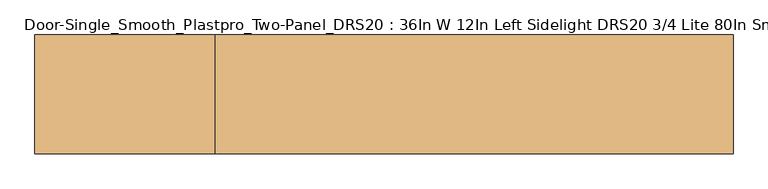
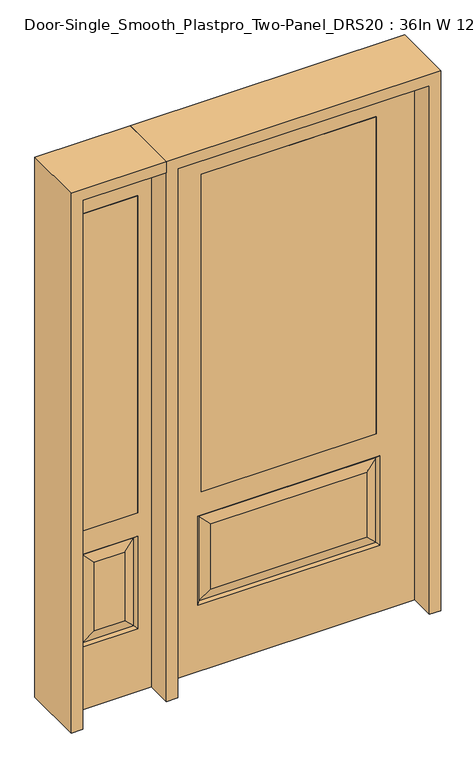
"""IFC4 building model written with IfcOpenShell, lengths in millimetres: door geometry, Door-Single_Smooth_Plastpro_Two-Panel_DRS20 : 36In W 12In Left Sidelight DRS20 3/4 Lite 80In Smooth."""

import ifcopenshell
import ifcopenshell.guid

model = None  # the IFC model being written
_history = None  # IfcOwnerHistory: only IFC2X3 demands one
_inside = {}  # id of a spatial element -> (the spatial element, [elements in it])
_under = {}  # id of a project, library or spatial element -> (it, [spatial elements below it])
_declared = {}  # id of a project -> (the project, [libraries it declares])
_typed = {}  # id of a type object -> (the type object, [elements of that type])
_made_of = {}  # id of a material, layer set ... -> (it, [elements and type objects made of it])


def new_model(schema):
    """Start an empty IFC model of exactly this schema.

    Asked for "IFC4X3", IfcOpenShell would pick the latest addendum, in which some entities
    have other attributes; the version numbers below select the first issue.
    IFC2X3 requires an IfcOwnerHistory on every rooted entity: one is made here for all.
    """
    global model, _history
    if schema == "IFC4X3":
        model = ifcopenshell.file(schema_version=(4, 3, 0, 0))
    else:
        model = ifcopenshell.file(schema=schema)
    _inside.clear()
    _under.clear()
    _declared.clear()
    _typed.clear()
    _made_of.clear()
    _history = None
    if model.schema == "IFC2X3":
        org = make("IfcOrganization", Name="unknown")
        user = make(
            "IfcPersonAndOrganization",
            ThePerson=make("IfcPerson", FamilyName="unknown"),
            TheOrganization=org,
        )
        app = make(
            "IfcApplication",
            ApplicationDeveloper=org,
            Version="unknown",
            ApplicationFullName="unknown",
            ApplicationIdentifier="unknown",
        )
        _history = make(
            "IfcOwnerHistory",
            OwningUser=user,
            OwningApplication=app,
            ChangeAction="ADDED",
            CreationDate=0,
        )
    return model


def make(cls, **values):
    """One entity of the class cls with the attributes given. An attribute that is None is left unset."""
    return model.create_entity(
        cls, **{name: value for name, value in values.items() if value is not None}
    )


def rooted(cls, **values):
    """An entity with a GlobalId (a new one), such as an element, a storey or a relation."""
    return make(cls, GlobalId=ifcopenshell.guid.new(), OwnerHistory=_history, **values)


def si_unit(unit_type, name, prefix=None):
    """IfcSIUnit, for example si_unit("LENGTHUNIT", "METRE", prefix="MILLI")."""
    return make("IfcSIUnit", UnitType=unit_type, Prefix=prefix, Name=name)


def assignment(units):
    """IfcUnitAssignment: the units of a project."""
    return None if units is None else make("IfcUnitAssignment", Units=units)


def point(xyz):
    """IfcCartesianPoint."""
    return None if xyz is None else make("IfcCartesianPoint", Coordinates=xyz)


def direction(xyz):
    """IfcDirection."""
    return None if xyz is None else make("IfcDirection", DirectionRatios=xyz)


def frame(location, z_axis=None, x_axis=None):
    """IfcAxis2Placement3D, a coordinate frame: its origin and axes. An axis left out is left unset."""
    return make(
        "IfcAxis2Placement3D",
        Location=point(location),
        Axis=direction(z_axis),
        RefDirection=direction(x_axis),
    )


def origin():
    """The frame at (0, 0, 0) with its axes left unset."""
    return frame((0.0, 0.0, 0.0))


def place(relative_to, where):
    """IfcLocalPlacement: puts the frame where relative to a parent placement (None: the world)."""
    return make(
        "IfcLocalPlacement", PlacementRelTo=relative_to, RelativePlacement=where
    )


def context(
    kind, dimensions, precision=None, world=None, true_north=None, identifier=None
):
    """IfcGeometricRepresentationContext, for example the 3D "Model" context."""
    return make(
        "IfcGeometricRepresentationContext",
        ContextIdentifier=identifier,
        ContextType=kind,
        CoordinateSpaceDimension=dimensions,
        Precision=precision,
        WorldCoordinateSystem=world,
        TrueNorth=true_north,
    )


def project(units=None, contexts=None):
    """IfcProject with its units and contexts."""
    return rooted(
        "IfcProject",
        Name="project",
        RepresentationContexts=contexts,
        UnitsInContext=assignment(units),
    )


def spatial(cls, under=None, at=None, **own):
    """A site, building, storey or space (cls), placed at a placement, below another one or the project."""
    s = rooted(cls, ObjectPlacement=at, **own)
    if under is not None:
        _under.setdefault(under.id(), (under, []))[1].append(s)
    return s


def polyline(points):
    """IfcPolyline through the points."""
    return make("IfcPolyline", Points=[point(p) for p in points])


def outline(outer, holes=None, kind="AREA"):
    """IfcArbitraryClosedProfileDef: a profile drawn as a closed curve; with holes, ...WithVoids."""
    if holes is None:
        return make("IfcArbitraryClosedProfileDef", ProfileType=kind, OuterCurve=outer)
    return make(
        "IfcArbitraryProfileDefWithVoids",
        ProfileType=kind,
        OuterCurve=outer,
        InnerCurves=holes,
    )


def extrude(swept, where, along, depth):
    """IfcExtrudedAreaSolid: the profile swept, set in the frame where, extruded along a direction by depth."""
    return make(
        "IfcExtrudedAreaSolid",
        SweptArea=swept,
        Position=where,
        ExtrudedDirection=direction(along),
        Depth=depth,
    )


def faces_of(points, faces, orient=None, outer=None):
    """IfcFace entities. A face is a list of loops; a loop is a list of indices into points, from 0.

    orient and outer hold one flag for each loop. By default every Orientation is true, the
    first loop of a face is its IfcFaceOuterBound and the others are IfcFaceBound.
    """
    made = []
    for i, loops in enumerate(faces):
        bounds = []
        for j, loop in enumerate(loops):
            is_outer = j == 0 if outer is None else outer[i][j]
            bounds.append(
                make(
                    "IfcFaceOuterBound" if is_outer else "IfcFaceBound",
                    Bound=make("IfcPolyLoop", Polygon=[points[k] for k in loop]),
                    Orientation=True if orient is None else orient[i][j],
                )
            )
        made.append(make("IfcFace", Bounds=bounds))
    return made


def faceted_brep(points, faces, orient=None, outer=None, voids=None):
    """IfcFacetedBrep: a solid bounded by flat faces; with voids (closed shells), ...WithVoids."""
    shared = [point(p) for p in points]
    hull = make("IfcClosedShell", CfsFaces=faces_of(shared, faces, orient, outer))
    if voids is None:
        return make("IfcFacetedBrep", Outer=hull)
    return make(
        "IfcFacetedBrepWithVoids",
        Outer=hull,
        Voids=[
            make(cls, CfsFaces=faces_of(shared, fs, o, b)) for cls, fs, o, b in voids
        ],
    )


def shape(context_of_items, identifier, shape_type, items):
    """IfcShapeRepresentation: the items that make up one representation, for example the "Body"."""
    return make(
        "IfcShapeRepresentation",
        ContextOfItems=context_of_items,
        RepresentationIdentifier=identifier,
        RepresentationType=shape_type,
        Items=items,
    )


def source(mapping_origin, context_of_items, identifier, shape_type, items):
    """IfcRepresentationMap: a shape defined once, which mapped items show again and again."""
    return make(
        "IfcRepresentationMap",
        MappingOrigin=mapping_origin,
        MappedRepresentation=shape(context_of_items, identifier, shape_type, items),
    )


def transform(
    local_origin,
    x_axis=None,
    y_axis=None,
    z_axis=None,
    scale=None,
    scale2=None,
    scale3=None,
    uniform=True,
):
    """IfcCartesianTransformationOperator3D, or its non-uniform kind. x_axis, y_axis, z_axis: its Axis1, 2, 3."""
    if uniform:
        return make(
            "IfcCartesianTransformationOperator3D",
            Axis1=direction(x_axis),
            Axis2=direction(y_axis),
            LocalOrigin=point(local_origin),
            Scale=scale,
            Axis3=direction(z_axis),
        )
    return make(
        "IfcCartesianTransformationOperator3DnonUniform",
        Axis1=direction(x_axis),
        Axis2=direction(y_axis),
        LocalOrigin=point(local_origin),
        Scale=scale,
        Axis3=direction(z_axis),
        Scale2=scale2,
        Scale3=scale3,
    )


def mapped(mapping_source, mapping_target):
    """IfcMappedItem: shows the shape of a source again, moved by a transform."""
    return make(
        "IfcMappedItem", MappingSource=mapping_source, MappingTarget=mapping_target
    )


def made_of(thing, what):
    """Note that an element or type object is made of a material, layer set ...; save() writes the relation."""
    if what is not None:
        _made_of.setdefault(what.id(), (what, []))[1].append(thing)
    return thing


def element(
    cls,
    number,
    at=None,
    inside=None,
    cuts=None,
    type_object=None,
    material=None,
    context=None,
    identifier="Body",
    shape_type=None,
    held_by="IfcProductDefinitionShape",
    body=None,
    shapes=None,
    **own,
):
    """One element of the class cls, such as IfcWall. Its Tag is "e" and its number.

    at: its placement. inside: the storey or other place that contains it. cuts: it is an
    opening in that element (IfcRelVoidsElement). A single representation is given by context,
    identifier, shape_type and body (its items); several are given by shapes. held_by: the class
    of the entity that holds the representations. save() writes the other relations.
    """
    e = rooted(cls, Tag="e%d" % number, ObjectPlacement=at, **own)
    if body is not None:
        shapes = [shape(context, identifier, shape_type, body)]
    if shapes is not None:
        e.Representation = make(held_by, Representations=shapes)
    if inside is not None:
        _inside.setdefault(inside.id(), (inside, []))[1].append(e)
    if cuts is not None:
        rooted(
            "IfcRelVoidsElement", RelatingBuildingElement=cuts, RelatedOpeningElement=e
        )
    if type_object is not None:
        _typed.setdefault(type_object.id(), (type_object, []))[1].append(e)
    return made_of(e, material)


def aggregate(whole, parts):
    """IfcRelAggregates: a whole, such as a stair, and the parts it consists of."""
    return rooted("IfcRelAggregates", RelatingObject=whole, RelatedObjects=parts)


def save(model, path):
    """Write the relations noted so far, then the file.

    IfcRelAggregates (storeys below a building ...), IfcRelContainedInSpatialStructure (elements
    in a storey), IfcRelDefinesByType, IfcRelAssociatesMaterial and IfcRelDeclares: one each for
    every whole, place, type object, material and project.
    """
    for whole, parts in _under.values():
        aggregate(whole, parts)
    for where, things in _inside.values():
        rooted(
            "IfcRelContainedInSpatialStructure",
            RelatedElements=things,
            RelatingStructure=where,
        )
    for kind, things in _typed.values():
        rooted("IfcRelDefinesByType", RelatedObjects=things, RelatingType=kind)
    for what, things in _made_of.values():
        rooted("IfcRelAssociatesMaterial", RelatedObjects=things, RelatingMaterial=what)
    for by, libraries in _declared.values():
        rooted("IfcRelDeclares", RelatingContext=by, RelatedDefinitions=libraries)
    model.write(path)


def door_single_smooth_plastpro_two_panel_drs20_36in_w_12in_left_c85ca095(model_context):
    return source(origin(), model_context, "Body", "SolidModel", [
        extrude(outline(polyline([(-549.275, -20.6375), (-752.475, -20.6375), (-752.475, 20.6375), (-549.275, 20.6375), (-549.275, -20.6375)])), frame((0.0, 0.0, 685.8), z_axis=(0.0, 0.0, 1.0), x_axis=(1.0, 0.0, 0.0)), (0.0, 0.0, 1.0), 1219.2),
        faceted_brep([(-803.275, -20.6375, 0.0), (-498.475, -20.6375, 0.0), (-498.475, -20.6375, 2032.0), (-803.275, -20.6375, 2032.0), (-549.275, -20.6375, 685.8), (-752.475, -20.6375, 685.8), (-752.475, -20.6375, 1905.0), (-549.275, -20.6375, 1905.0), (-549.275, -20.6375, 241.3), (-752.475, -20.6375, 241.3), (-752.475, -20.6375, 596.9), (-549.275, -20.6375, 596.9), (-706.4375, -20.6375, 287.3375), (-595.3125, -20.6375, 287.3375), (-595.3125, -20.6375, 550.8625), (-706.4375, -20.6375, 550.8625), (-803.275, 20.6375, 0.0), (-498.475, 20.6375, 0.0), (-498.475, 20.6375, 2032.0), (-803.275, 20.6375, 2032.0), (-558.2552561, -11.6572439, 250.2802561), (-743.4947439, -11.6572439, 250.2802561), (-743.4947439, -11.6572439, 587.9197439), (-558.2552561, -11.6572439, 587.9197439), (-549.275, 20.6375, 685.8), (-752.475, 20.6375, 685.8), (-752.475, 20.6375, 1905.0), (-549.275, 20.6375, 1905.0), (-752.475, 20.6375, 241.3), (-549.275, 20.6375, 241.3), (-549.275, 20.6375, 596.9), (-752.475, 20.6375, 596.9), (-595.3125, 20.6375, 287.3375), (-706.4375, 20.6375, 287.3375), (-706.4375, 20.6375, 550.8625), (-595.3125, 20.6375, 550.8625), (-743.4947439, 11.6572439, 250.2802561), (-558.2552561, 11.6572439, 250.2802561), (-558.2552561, 11.6572439, 587.9197439), (-743.4947439, 11.6572439, 587.9197439)], [[[0, 1, 2, 3], [4, 5, 6, 7], [8, 9, 10, 11]], [[12, 13, 14, 15]], [[1, 0, 16, 17]], [[2, 1, 17, 18]], [[0, 3, 19, 16]], [[20, 21, 9, 8]], [[9, 21, 22, 10]], [[10, 22, 23, 11]], [[20, 8, 11, 23]], [[21, 20, 13, 12]], [[13, 20, 23, 14]], [[22, 15, 14, 23]], [[21, 12, 15, 22]], [[4, 24, 25, 5]], [[5, 25, 26, 6]], [[24, 4, 7, 27]], [[16, 19, 18, 17], [25, 24, 27, 26], [28, 29, 30, 31]], [[32, 33, 34, 35]], [[28, 36, 37, 29]], [[29, 37, 38, 30]], [[39, 31, 30, 38]], [[36, 28, 31, 39]], [[37, 36, 33, 32]], [[33, 36, 39, 34]], [[34, 39, 38, 35]], [[37, 32, 35, 38]], [[3, 2, 18, 19]], [[27, 7, 6, 26]]]),
        extrude(outline(polyline([(317.5, -20.6375), (-317.5, -20.6375), (-317.5, 20.6375), (317.5, 20.6375), (317.5, -20.6375)])), frame((0.0, 0.0, 685.8), z_axis=(0.0, 0.0, 1.0), x_axis=(1.0, 0.0, 0.0)), (0.0, 0.0, 1.0), 1219.2),
        faceted_brep([(-317.5, 20.6375, 685.8), (-317.5, -20.6375, 685.8), (317.5, -20.6375, 685.8), (317.5, 20.6375, 685.8), (-321.2197439, 11.6572439, 587.9197439), (-284.1625, 20.6375, 550.8625), (-284.1625, 20.6375, 300.0375), (-321.2197439, 11.6572439, 262.9802561), (-321.2197439, -11.6572439, 262.9802561), (321.2197439, -11.6572439, 262.9802561), (284.1625, -20.6375, 300.0375), (-284.1625, -20.6375, 300.0375), (-321.2197439, -11.6572439, 587.9197439), (-284.1625, -20.6375, 550.8625), (284.1625, -20.6375, 550.8625), (321.2197439, -11.6572439, 587.9197439), (-330.2, -20.6375, 254.0), (330.2, -20.6375, 254.0), (317.5, -20.6375, 1905.0), (317.5, 20.6375, 1905.0), (284.1625, 20.6375, 300.0375), (321.2197439, 11.6572439, 262.9802561), (284.1625, 20.6375, 550.8625), (321.2197439, 11.6572439, 587.9197439), (457.2, 20.6375, 0.0), (457.2, -20.6375, 0.0), (-457.2, -20.6375, 0.0), (-457.2, 20.6375, 0.0), (457.2, 20.6375, 2032.0), (457.2, -20.6375, 2032.0), (-457.2, -20.6375, 2032.0), (-317.5, -20.6375, 1905.0), (-330.2, -20.6375, 596.9), (330.2, -20.6375, 596.9), (-457.2, 20.6375, 2032.0), (-317.5, 20.6375, 1905.0), (330.2, 20.6375, 596.9), (-330.2, 20.6375, 596.9), (-330.2, 20.6375, 254.0), (330.2, 20.6375, 254.0)], [[[0, 1, 2, 3]], [[4, 5, 6, 7]], [[8, 9, 10, 11]], [[12, 13, 14, 15]], [[9, 8, 16, 17]], [[18, 19, 3, 2]], [[7, 6, 20, 21]], [[22, 23, 21, 20]], [[24, 25, 26, 27]], [[28, 29, 25, 24]], [[11, 10, 14, 13]], [[29, 30, 26, 25], [31, 18, 2, 1], [17, 16, 32, 33]], [[30, 34, 27, 26]], [[5, 22, 20, 6]], [[34, 28, 24, 27], [19, 35, 0, 3], [36, 37, 38, 39]], [[23, 4, 37, 36]], [[37, 4, 7, 38]], [[38, 7, 21, 39]], [[23, 36, 39, 21]], [[4, 23, 22, 5]], [[35, 31, 1, 0]], [[16, 8, 12, 32]], [[32, 12, 15, 33]], [[9, 17, 33, 15]], [[10, 9, 15, 14]], [[8, 11, 13, 12]], [[28, 34, 30, 29]], [[31, 35, 19, 18]]]),
        extrude(outline(polyline([(2032.0, -498.475), (2073.275, -498.475), (2073.275, -844.55), (0.0, -844.55), (0.0, -803.275), (2032.0, -803.275), (2032.0, -498.475)])), frame((0.0, -114.3, 0.0), z_axis=(0.0, 1.0, 0.0), x_axis=(0.0, 0.0, 1.0)), (0.0, 0.0, 1.0), 228.6),
        extrude(outline(polyline([(2073.275, -498.475), (0.0, -498.475), (0.0, -457.2), (2032.0, -457.2), (2032.0, 457.2), (0.0, 457.2), (0.0, 498.475), (2073.275, 498.475), (2073.275, -498.475)])), frame((0.0, -114.3, 0.0), z_axis=(0.0, 1.0, 0.0), x_axis=(0.0, 0.0, 1.0)), (0.0, 0.0, 1.0), 228.6),
    ])


if __name__ == "__main__":
    model = new_model("IFC4")
    model_context = context("Model", 3, world=origin())
    ifc_project = project(units=[si_unit("LENGTHUNIT", "METRE", prefix="MILLI")], contexts=[model_context])
    site = spatial("IfcSite", under=ifc_project)
    building = spatial("IfcBuilding", under=site)
    placement = place(None, origin())
    door_single_smooth_plastpro_two_panel_drs20_36in_w_12in_left_shape = door_single_smooth_plastpro_two_panel_drs20_36in_w_12in_left_c85ca095(model_context)
    element("IfcDoor", 1, ObjectType="Door-Single_Smooth_Plastpro_Two-Panel_DRS20 : 36In W 12In Left Sidelight DRS20 3/4 Lite 80In Smooth", at=placement, inside=building, context=model_context, shape_type="MappedRepresentation", body=[
        mapped(door_single_smooth_plastpro_two_panel_drs20_36in_w_12in_left_shape, transform((0.0, 0.0, 0.0), x_axis=(1.0, 0.0, 0.0), y_axis=(0.0, 1.0, 0.0), z_axis=(0.0, 0.0, 1.0))),
    ])
    save(model, "model.ifc")
